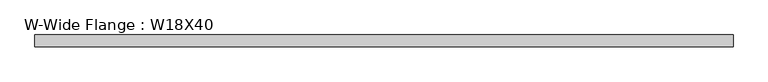
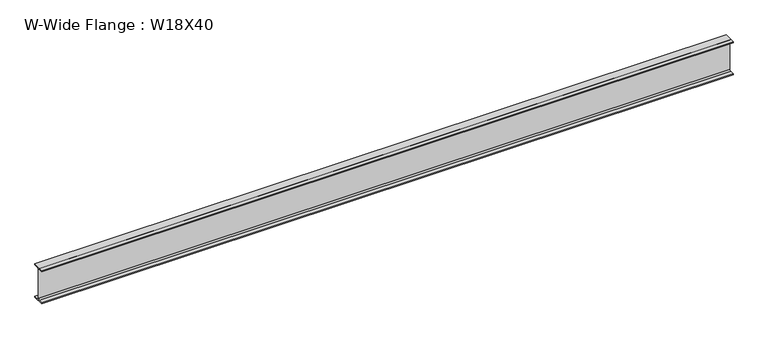
"""IFC4 building model written with IfcOpenShell, lengths in millimetres: beam geometry, W-Wide Flange : W18X40."""

from ifc_helpers import new_model, si_unit, point, frame, frame_2d, origin, place, context, project, spatial, polyline, circle_curve, trimmed, segment, composite_curve, outline, extrude, source, transform, mapped, element, save


def w_wide_flange_w18x40_1a3d9413(model_context):
    return source(origin(), model_context, "Body", "SweptSolid", [
        extrude(outline(composite_curve([segment(polyline([(76.4480469, -214.0148438), (76.4480469, -227.3101563), (-76.4480469, -227.3101563), (-76.4480469, -214.0148438), (-20.8855469, -214.0148438)]), True, "CONTINUOUS"), segment(trimmed(circle_curve(frame_2d((-20.8855469, -197.1476563)), 16.8671875), [point((-20.8855469, -214.0148438))], [point((-4.0183594, -197.1476563))], True, "CARTESIAN"), True, "CONTINUOUS"), segment(polyline([(-4.0183594, -197.1476563), (-4.0183594, 197.1476562)]), True, "CONTINUOUS"), segment(trimmed(circle_curve(frame_2d((-20.8855469, 197.1476562)), 16.8671875), [point((-4.0183594, 197.1476562))], [point((-20.8855469, 214.0148437))], True, "CARTESIAN"), True, "CONTINUOUS"), segment(polyline([(-20.8855469, 214.0148437), (-76.4480469, 214.0148437), (-76.4480469, 227.3101562), (76.4480469, 227.3101562), (76.4480469, 214.0148437), (20.8855469, 214.0148437)]), True, "CONTINUOUS"), segment(trimmed(circle_curve(frame_2d((20.8855469, 197.1476562)), 16.8671875), [point((20.8855469, 214.0148437))], [point((4.0183594, 197.1476562))], True, "CARTESIAN"), True, "CONTINUOUS"), segment(polyline([(4.0183594, 197.1476562), (4.0183594, -197.1476563)]), True, "CONTINUOUS"), segment(trimmed(circle_curve(frame_2d((20.8855469, -197.1476563)), 16.8671875), [point((4.0183594, -197.1476563))], [point((20.8855469, -214.0148438))], True, "CARTESIAN"), True, "CONTINUOUS"), segment(polyline([(20.8855469, -214.0148438), (76.4480469, -214.0148438)]), True, "CONTINUOUS")], self_intersect=False)), frame((-4476.353125, 0.0, 0.0), z_axis=(1.0, 0.0, 0.0), x_axis=(0.0, 1.0, 0.0)), (0.0, 0.0, 1.0), 8953.103125),
    ])


if __name__ == "__main__":
    model = new_model("IFC4")
    model_context = context("Model", 3, world=origin())
    ifc_project = project(units=[si_unit("LENGTHUNIT", "METRE", prefix="MILLI")], contexts=[model_context])
    site = spatial("IfcSite", under=ifc_project)
    building = spatial("IfcBuilding", under=site)
    placement = place(None, origin())
    w_wide_flange_w18x40_shape = w_wide_flange_w18x40_1a3d9413(model_context)
    element("IfcBeam", 1, ObjectType="W-Wide Flange : W18X40", at=placement, inside=building, context=model_context, shape_type="MappedRepresentation", body=[
        mapped(w_wide_flange_w18x40_shape, transform((0.0, 0.0, 0.0), x_axis=(1.0, 0.0, 0.0), y_axis=(0.0, 1.0, 0.0), z_axis=(0.0, 0.0, 1.0))),
    ])
    save(model, "model.ifc")
